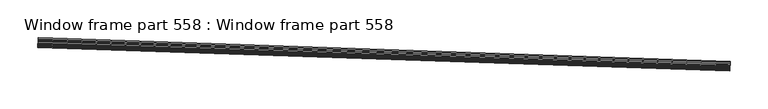
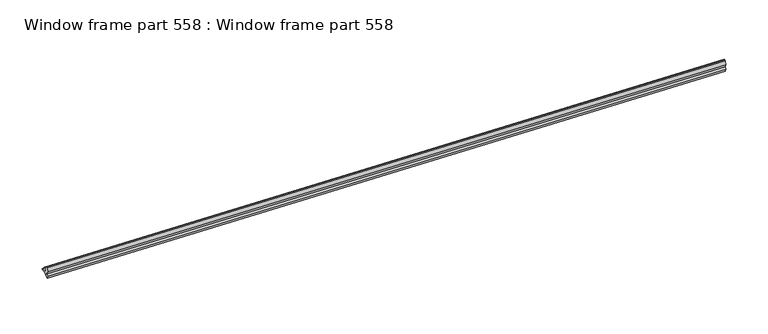
"""IFC4 building model written with IfcOpenShell, lengths in millimetres: proxy geometry, Window frame part 558 : Window frame part 558."""

from ifc_helpers import new_model, si_unit, frame, origin, place, context, project, spatial, polyline, outline, extrude, source, transform, mapped, element, save


def window_frame_part_558_window_frame_part_558_48c846b7(model_context):
    return source(origin(), model_context, "Body", "SweptSolid", [
        extrude(outline(polyline([(-1.5529878, 0.0), (0.0, 0.0), (0.4121877, 2.8236931), (0.7577882, 4.0380786), (2.287672, 5.5675903), (3.7452497, 4.1096582), (2.8984127, 3.6184738), (3.6885324, 2.6237638), (2.691067, 2.5793351), (3.1380177, 1.1773615), (4.9950956, 1.0288389), (5.1888878, 3.4519532), (5.7367821, 5.8481694), (6.9702022, 8.6075572), (7.9854232, 8.9360012), (9.2127614, 7.9362882), (9.9051793, 3.0747607), (8.9924253, -0.3254944), (7.6840501, 3.8118398), (8.2090461, -0.6556201), (9.3866751, -3.4090346), (8.4845195, -6.9291651), (5.4530533, -3.1921564), (3.1285927, -2.3657063), (-0.4945911, -1.8296274), (-3.2672448, -0.5770935), (-3.4599366, 0.2284746), (-1.5529878, 0.0)])), frame((34354.9174917, -15460.4787405, 2836.2737934), z_axis=(-0.9994149479162485, 0.034201781847767815, 3.1047365199599053e-12), x_axis=(-0.03409292236421367, -0.996233950057038, 0.07972195054324074)), (0.0, 0.0, 1.0), 914.4),
    ])


if __name__ == "__main__":
    model = new_model("IFC4")
    model_context = context("Model", 3, world=origin())
    ifc_project = project(units=[si_unit("LENGTHUNIT", "METRE", prefix="MILLI")], contexts=[model_context])
    site = spatial("IfcSite", under=ifc_project)
    building = spatial("IfcBuilding", under=site)
    placement = place(None, origin())
    window_frame_part_558_window_frame_part_558_shape = window_frame_part_558_window_frame_part_558_48c846b7(model_context)
    element("IfcBuildingElementProxy", 1, Name="Window frame part 558 : Window frame part 558", ObjectType="Window frame part 558 : Window frame part 558", at=placement, inside=building, context=model_context, shape_type="MappedRepresentation", body=[
        mapped(window_frame_part_558_window_frame_part_558_shape, transform((0.0, 0.0, 0.0), x_axis=(1.0, 0.0, 0.0), y_axis=(0.0, 1.0, 0.0), z_axis=(0.0, 0.0, 1.0))),
    ])
    save(model, "model.ifc")
